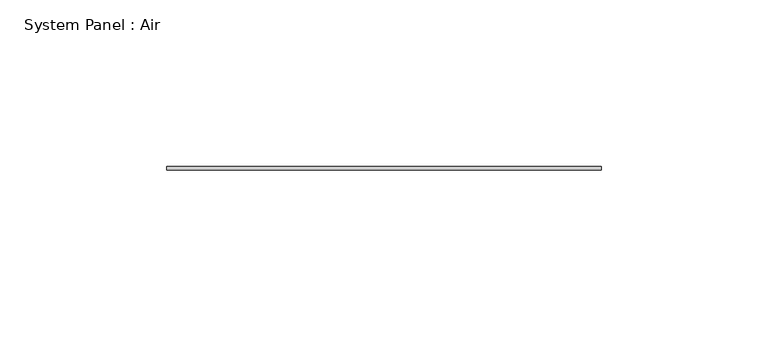
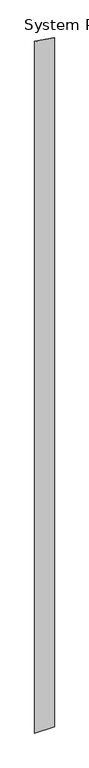
"""IFC4 building model written with IfcOpenShell, lengths in millimetres: plate geometry, System Panel : Air."""

import ifcopenshell
import ifcopenshell.guid

model = None  # the IFC model being written
_history = None  # IfcOwnerHistory: only IFC2X3 demands one
_inside = {}  # id of a spatial element -> (the spatial element, [elements in it])
_under = {}  # id of a project, library or spatial element -> (it, [spatial elements below it])
_declared = {}  # id of a project -> (the project, [libraries it declares])
_typed = {}  # id of a type object -> (the type object, [elements of that type])
_made_of = {}  # id of a material, layer set ... -> (it, [elements and type objects made of it])


def new_model(schema):
    """Start an empty IFC model of exactly this schema.

    Asked for "IFC4X3", IfcOpenShell would pick the latest addendum, in which some entities
    have other attributes; the version numbers below select the first issue.
    IFC2X3 requires an IfcOwnerHistory on every rooted entity: one is made here for all.
    """
    global model, _history
    if schema == "IFC4X3":
        model = ifcopenshell.file(schema_version=(4, 3, 0, 0))
    else:
        model = ifcopenshell.file(schema=schema)
    _inside.clear()
    _under.clear()
    _declared.clear()
    _typed.clear()
    _made_of.clear()
    _history = None
    if model.schema == "IFC2X3":
        org = make("IfcOrganization", Name="unknown")
        user = make(
            "IfcPersonAndOrganization",
            ThePerson=make("IfcPerson", FamilyName="unknown"),
            TheOrganization=org,
        )
        app = make(
            "IfcApplication",
            ApplicationDeveloper=org,
            Version="unknown",
            ApplicationFullName="unknown",
            ApplicationIdentifier="unknown",
        )
        _history = make(
            "IfcOwnerHistory",
            OwningUser=user,
            OwningApplication=app,
            ChangeAction="ADDED",
            CreationDate=0,
        )
    return model


def make(cls, **values):
    """One entity of the class cls with the attributes given. An attribute that is None is left unset."""
    return model.create_entity(
        cls, **{name: value for name, value in values.items() if value is not None}
    )


def rooted(cls, **values):
    """An entity with a GlobalId (a new one), such as an element, a storey or a relation."""
    return make(cls, GlobalId=ifcopenshell.guid.new(), OwnerHistory=_history, **values)


def si_unit(unit_type, name, prefix=None):
    """IfcSIUnit, for example si_unit("LENGTHUNIT", "METRE", prefix="MILLI")."""
    return make("IfcSIUnit", UnitType=unit_type, Prefix=prefix, Name=name)


def assignment(units):
    """IfcUnitAssignment: the units of a project."""
    return None if units is None else make("IfcUnitAssignment", Units=units)


def point(xyz):
    """IfcCartesianPoint."""
    return None if xyz is None else make("IfcCartesianPoint", Coordinates=xyz)


def direction(xyz):
    """IfcDirection."""
    return None if xyz is None else make("IfcDirection", DirectionRatios=xyz)


def frame(location, z_axis=None, x_axis=None):
    """IfcAxis2Placement3D, a coordinate frame: its origin and axes. An axis left out is left unset."""
    return make(
        "IfcAxis2Placement3D",
        Location=point(location),
        Axis=direction(z_axis),
        RefDirection=direction(x_axis),
    )


def origin():
    """The frame at (0, 0, 0) with its axes left unset."""
    return frame((0.0, 0.0, 0.0))


def place(relative_to, where):
    """IfcLocalPlacement: puts the frame where relative to a parent placement (None: the world)."""
    return make(
        "IfcLocalPlacement", PlacementRelTo=relative_to, RelativePlacement=where
    )


def context(
    kind, dimensions, precision=None, world=None, true_north=None, identifier=None
):
    """IfcGeometricRepresentationContext, for example the 3D "Model" context."""
    return make(
        "IfcGeometricRepresentationContext",
        ContextIdentifier=identifier,
        ContextType=kind,
        CoordinateSpaceDimension=dimensions,
        Precision=precision,
        WorldCoordinateSystem=world,
        TrueNorth=true_north,
    )


def project(units=None, contexts=None):
    """IfcProject with its units and contexts."""
    return rooted(
        "IfcProject",
        Name="project",
        RepresentationContexts=contexts,
        UnitsInContext=assignment(units),
    )


def spatial(cls, under=None, at=None, **own):
    """A site, building, storey or space (cls), placed at a placement, below another one or the project."""
    s = rooted(cls, ObjectPlacement=at, **own)
    if under is not None:
        _under.setdefault(under.id(), (under, []))[1].append(s)
    return s


def polyline(points):
    """IfcPolyline through the points."""
    return make("IfcPolyline", Points=[point(p) for p in points])


def outline(outer, holes=None, kind="AREA"):
    """IfcArbitraryClosedProfileDef: a profile drawn as a closed curve; with holes, ...WithVoids."""
    if holes is None:
        return make("IfcArbitraryClosedProfileDef", ProfileType=kind, OuterCurve=outer)
    return make(
        "IfcArbitraryProfileDefWithVoids",
        ProfileType=kind,
        OuterCurve=outer,
        InnerCurves=holes,
    )


def extrude(swept, where, along, depth):
    """IfcExtrudedAreaSolid: the profile swept, set in the frame where, extruded along a direction by depth."""
    return make(
        "IfcExtrudedAreaSolid",
        SweptArea=swept,
        Position=where,
        ExtrudedDirection=direction(along),
        Depth=depth,
    )


def shape(context_of_items, identifier, shape_type, items):
    """IfcShapeRepresentation: the items that make up one representation, for example the "Body"."""
    return make(
        "IfcShapeRepresentation",
        ContextOfItems=context_of_items,
        RepresentationIdentifier=identifier,
        RepresentationType=shape_type,
        Items=items,
    )


def source(mapping_origin, context_of_items, identifier, shape_type, items):
    """IfcRepresentationMap: a shape defined once, which mapped items show again and again."""
    return make(
        "IfcRepresentationMap",
        MappingOrigin=mapping_origin,
        MappedRepresentation=shape(context_of_items, identifier, shape_type, items),
    )


def transform(
    local_origin,
    x_axis=None,
    y_axis=None,
    z_axis=None,
    scale=None,
    scale2=None,
    scale3=None,
    uniform=True,
):
    """IfcCartesianTransformationOperator3D, or its non-uniform kind. x_axis, y_axis, z_axis: its Axis1, 2, 3."""
    if uniform:
        return make(
            "IfcCartesianTransformationOperator3D",
            Axis1=direction(x_axis),
            Axis2=direction(y_axis),
            LocalOrigin=point(local_origin),
            Scale=scale,
            Axis3=direction(z_axis),
        )
    return make(
        "IfcCartesianTransformationOperator3DnonUniform",
        Axis1=direction(x_axis),
        Axis2=direction(y_axis),
        LocalOrigin=point(local_origin),
        Scale=scale,
        Axis3=direction(z_axis),
        Scale2=scale2,
        Scale3=scale3,
    )


def mapped(mapping_source, mapping_target):
    """IfcMappedItem: shows the shape of a source again, moved by a transform."""
    return make(
        "IfcMappedItem", MappingSource=mapping_source, MappingTarget=mapping_target
    )


def made_of(thing, what):
    """Note that an element or type object is made of a material, layer set ...; save() writes the relation."""
    if what is not None:
        _made_of.setdefault(what.id(), (what, []))[1].append(thing)
    return thing


def element(
    cls,
    number,
    at=None,
    inside=None,
    cuts=None,
    type_object=None,
    material=None,
    context=None,
    identifier="Body",
    shape_type=None,
    held_by="IfcProductDefinitionShape",
    body=None,
    shapes=None,
    **own,
):
    """One element of the class cls, such as IfcWall. Its Tag is "e" and its number.

    at: its placement. inside: the storey or other place that contains it. cuts: it is an
    opening in that element (IfcRelVoidsElement). A single representation is given by context,
    identifier, shape_type and body (its items); several are given by shapes. held_by: the class
    of the entity that holds the representations. save() writes the other relations.
    """
    e = rooted(cls, Tag="e%d" % number, ObjectPlacement=at, **own)
    if body is not None:
        shapes = [shape(context, identifier, shape_type, body)]
    if shapes is not None:
        e.Representation = make(held_by, Representations=shapes)
    if inside is not None:
        _inside.setdefault(inside.id(), (inside, []))[1].append(e)
    if cuts is not None:
        rooted(
            "IfcRelVoidsElement", RelatingBuildingElement=cuts, RelatedOpeningElement=e
        )
    if type_object is not None:
        _typed.setdefault(type_object.id(), (type_object, []))[1].append(e)
    return made_of(e, material)


def aggregate(whole, parts):
    """IfcRelAggregates: a whole, such as a stair, and the parts it consists of."""
    return rooted("IfcRelAggregates", RelatingObject=whole, RelatedObjects=parts)


def save(model, path):
    """Write the relations noted so far, then the file.

    IfcRelAggregates (storeys below a building ...), IfcRelContainedInSpatialStructure (elements
    in a storey), IfcRelDefinesByType, IfcRelAssociatesMaterial and IfcRelDeclares: one each for
    every whole, place, type object, material and project.
    """
    for whole, parts in _under.values():
        aggregate(whole, parts)
    for where, things in _inside.values():
        rooted(
            "IfcRelContainedInSpatialStructure",
            RelatedElements=things,
            RelatingStructure=where,
        )
    for kind, things in _typed.values():
        rooted("IfcRelDefinesByType", RelatedObjects=things, RelatingType=kind)
    for what, things in _made_of.values():
        rooted("IfcRelAssociatesMaterial", RelatedObjects=things, RelatingMaterial=what)
    for by, libraries in _declared.values():
        rooted("IfcRelDeclares", RelatingContext=by, RelatedDefinitions=libraries)
    model.write(path)


def system_panel_air_080a9a13(model_context):
    return source(origin(), model_context, "Body", "SweptSolid", [
        extrude(outline(polyline([(0.0, -65.0), (0.0, 65.0), (4844.614187, 65.0), (4863.852316, -65.0), (0.0, -65.0)])), frame((0.0, 36.5, 0.0), z_axis=(0.0, 1.0, 0.0), x_axis=(0.0, 0.0, 1.0)), (0.0, 0.0, 1.0), 1.0),
    ])


if __name__ == "__main__":
    model = new_model("IFC4")
    model_context = context("Model", 3, world=origin())
    ifc_project = project(units=[si_unit("LENGTHUNIT", "METRE", prefix="MILLI")], contexts=[model_context])
    site = spatial("IfcSite", under=ifc_project)
    building = spatial("IfcBuilding", under=site)
    placement = place(None, origin())
    system_panel_air_shape = system_panel_air_080a9a13(model_context)
    element("IfcPlate", 1, ObjectType="System Panel : Air", at=placement, inside=building, context=model_context, shape_type="MappedRepresentation", body=[
        mapped(system_panel_air_shape, transform((0.0, 0.0, 0.0), x_axis=(1.0, 0.0, 0.0), y_axis=(0.0, 1.0, 0.0), z_axis=(0.0, 0.0, 1.0))),
    ])
    save(model, "model.ifc")
